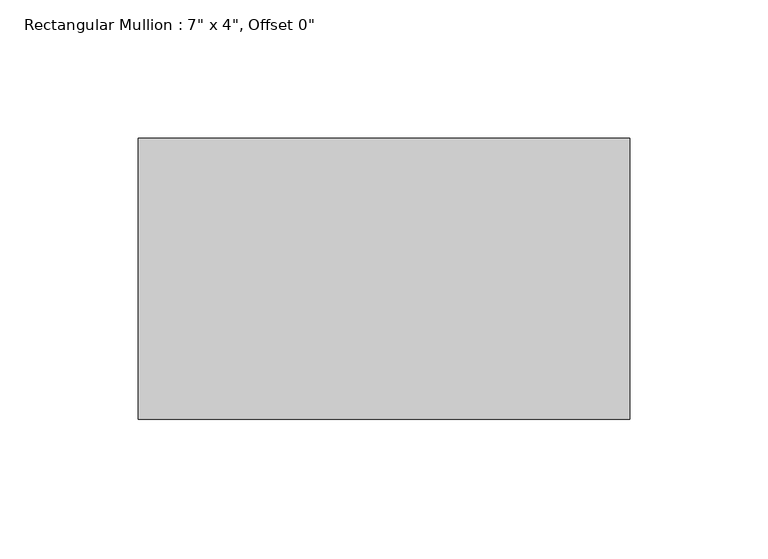
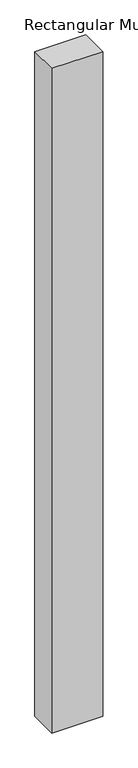
"""IFC4 building model written with IfcOpenShell, lengths in millimetres: member geometry."""

from ifc_helpers import new_model, si_unit, frame, origin, place, context, project, spatial, polyline, outline, extrude, source, transform, mapped, element, save


def member_9b1f80ef(model_context):
    return source(origin(), model_context, "Body", "SweptSolid", [
        extrude(outline(polyline([(88.9, 50.8), (88.9, -50.8), (-88.9, -50.8), (-88.9, 50.8), (88.9, 50.8)])), frame((0.0, 0.0, -2453.2166667), z_axis=(0.0, 0.0, 1.0), x_axis=(1.0, 0.0, 0.0)), (0.0, 0.0, 1.0), 2453.2166667),
    ])


if __name__ == "__main__":
    model = new_model("IFC4")
    model_context = context("Model", 3, world=origin())
    ifc_project = project(units=[si_unit("LENGTHUNIT", "METRE", prefix="MILLI")], contexts=[model_context])
    site = spatial("IfcSite", under=ifc_project)
    building = spatial("IfcBuilding", under=site)
    placement = place(None, origin())
    member_shape = member_9b1f80ef(model_context)
    element("IfcMember", 1, ObjectType="Rectangular Mullion : 7\" x 4\", Offset 0\"", at=placement, inside=building, context=model_context, shape_type="MappedRepresentation", body=[
        mapped(member_shape, transform((0.0, 0.0, 0.0), x_axis=(1.0, 0.0, 0.0), y_axis=(0.0, 1.0, 0.0), z_axis=(0.0, 0.0, 1.0))),
    ])
    save(model, "model.ifc")
